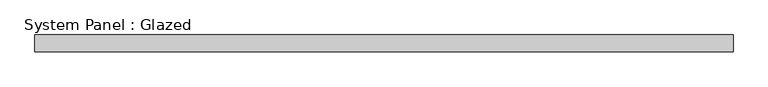
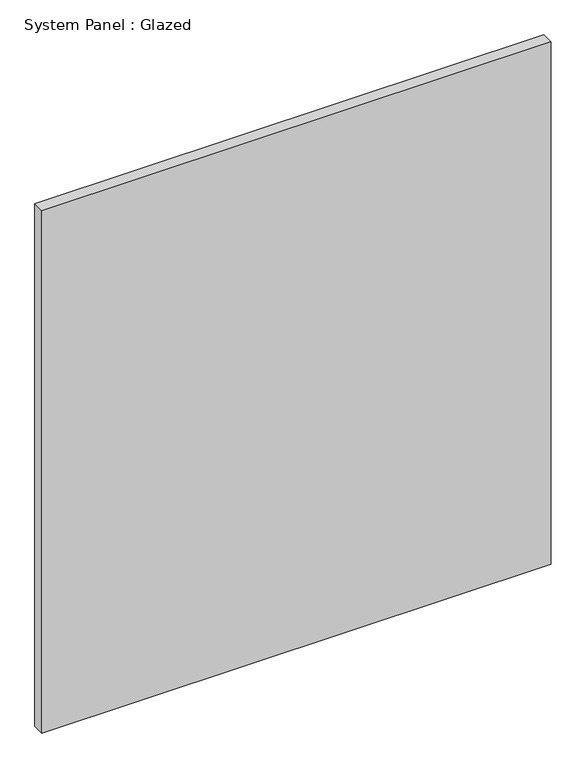
"""IFC4 building model written with IfcOpenShell, lengths in millimetres: plate geometry, System Panel : Glazed."""

import ifcopenshell
import ifcopenshell.guid

model = None  # the IFC model being written
_history = None  # IfcOwnerHistory: only IFC2X3 demands one
_inside = {}  # id of a spatial element -> (the spatial element, [elements in it])
_under = {}  # id of a project, library or spatial element -> (it, [spatial elements below it])
_declared = {}  # id of a project -> (the project, [libraries it declares])
_typed = {}  # id of a type object -> (the type object, [elements of that type])
_made_of = {}  # id of a material, layer set ... -> (it, [elements and type objects made of it])


def new_model(schema):
    """Start an empty IFC model of exactly this schema.

    Asked for "IFC4X3", IfcOpenShell would pick the latest addendum, in which some entities
    have other attributes; the version numbers below select the first issue.
    IFC2X3 requires an IfcOwnerHistory on every rooted entity: one is made here for all.
    """
    global model, _history
    if schema == "IFC4X3":
        model = ifcopenshell.file(schema_version=(4, 3, 0, 0))
    else:
        model = ifcopenshell.file(schema=schema)
    _inside.clear()
    _under.clear()
    _declared.clear()
    _typed.clear()
    _made_of.clear()
    _history = None
    if model.schema == "IFC2X3":
        org = make("IfcOrganization", Name="unknown")
        user = make(
            "IfcPersonAndOrganization",
            ThePerson=make("IfcPerson", FamilyName="unknown"),
            TheOrganization=org,
        )
        app = make(
            "IfcApplication",
            ApplicationDeveloper=org,
            Version="unknown",
            ApplicationFullName="unknown",
            ApplicationIdentifier="unknown",
        )
        _history = make(
            "IfcOwnerHistory",
            OwningUser=user,
            OwningApplication=app,
            ChangeAction="ADDED",
            CreationDate=0,
        )
    return model


def make(cls, **values):
    """One entity of the class cls with the attributes given. An attribute that is None is left unset."""
    return model.create_entity(
        cls, **{name: value for name, value in values.items() if value is not None}
    )


def rooted(cls, **values):
    """An entity with a GlobalId (a new one), such as an element, a storey or a relation."""
    return make(cls, GlobalId=ifcopenshell.guid.new(), OwnerHistory=_history, **values)


def si_unit(unit_type, name, prefix=None):
    """IfcSIUnit, for example si_unit("LENGTHUNIT", "METRE", prefix="MILLI")."""
    return make("IfcSIUnit", UnitType=unit_type, Prefix=prefix, Name=name)


def assignment(units):
    """IfcUnitAssignment: the units of a project."""
    return None if units is None else make("IfcUnitAssignment", Units=units)


def point(xyz):
    """IfcCartesianPoint."""
    return None if xyz is None else make("IfcCartesianPoint", Coordinates=xyz)


def direction(xyz):
    """IfcDirection."""
    return None if xyz is None else make("IfcDirection", DirectionRatios=xyz)


def frame(location, z_axis=None, x_axis=None):
    """IfcAxis2Placement3D, a coordinate frame: its origin and axes. An axis left out is left unset."""
    return make(
        "IfcAxis2Placement3D",
        Location=point(location),
        Axis=direction(z_axis),
        RefDirection=direction(x_axis),
    )


def origin():
    """The frame at (0, 0, 0) with its axes left unset."""
    return frame((0.0, 0.0, 0.0))


def origin_with_axes():
    """The frame at (0, 0, 0) with the z axis (0, 0, 1) and the x axis (1, 0, 0) written out."""
    return frame((0.0, 0.0, 0.0), z_axis=(0.0, 0.0, 1.0), x_axis=(1.0, 0.0, 0.0))


def place(relative_to, where):
    """IfcLocalPlacement: puts the frame where relative to a parent placement (None: the world)."""
    return make(
        "IfcLocalPlacement", PlacementRelTo=relative_to, RelativePlacement=where
    )


def context(
    kind, dimensions, precision=None, world=None, true_north=None, identifier=None
):
    """IfcGeometricRepresentationContext, for example the 3D "Model" context."""
    return make(
        "IfcGeometricRepresentationContext",
        ContextIdentifier=identifier,
        ContextType=kind,
        CoordinateSpaceDimension=dimensions,
        Precision=precision,
        WorldCoordinateSystem=world,
        TrueNorth=true_north,
    )


def project(units=None, contexts=None):
    """IfcProject with its units and contexts."""
    return rooted(
        "IfcProject",
        Name="project",
        RepresentationContexts=contexts,
        UnitsInContext=assignment(units),
    )


def spatial(cls, under=None, at=None, **own):
    """A site, building, storey or space (cls), placed at a placement, below another one or the project."""
    s = rooted(cls, ObjectPlacement=at, **own)
    if under is not None:
        _under.setdefault(under.id(), (under, []))[1].append(s)
    return s


def polyline(points):
    """IfcPolyline through the points."""
    return make("IfcPolyline", Points=[point(p) for p in points])


def outline(outer, holes=None, kind="AREA"):
    """IfcArbitraryClosedProfileDef: a profile drawn as a closed curve; with holes, ...WithVoids."""
    if holes is None:
        return make("IfcArbitraryClosedProfileDef", ProfileType=kind, OuterCurve=outer)
    return make(
        "IfcArbitraryProfileDefWithVoids",
        ProfileType=kind,
        OuterCurve=outer,
        InnerCurves=holes,
    )


def extrude(swept, where, along, depth):
    """IfcExtrudedAreaSolid: the profile swept, set in the frame where, extruded along a direction by depth."""
    return make(
        "IfcExtrudedAreaSolid",
        SweptArea=swept,
        Position=where,
        ExtrudedDirection=direction(along),
        Depth=depth,
    )


def shape(context_of_items, identifier, shape_type, items):
    """IfcShapeRepresentation: the items that make up one representation, for example the "Body"."""
    return make(
        "IfcShapeRepresentation",
        ContextOfItems=context_of_items,
        RepresentationIdentifier=identifier,
        RepresentationType=shape_type,
        Items=items,
    )


def source(mapping_origin, context_of_items, identifier, shape_type, items):
    """IfcRepresentationMap: a shape defined once, which mapped items show again and again."""
    return make(
        "IfcRepresentationMap",
        MappingOrigin=mapping_origin,
        MappedRepresentation=shape(context_of_items, identifier, shape_type, items),
    )


def transform(
    local_origin,
    x_axis=None,
    y_axis=None,
    z_axis=None,
    scale=None,
    scale2=None,
    scale3=None,
    uniform=True,
):
    """IfcCartesianTransformationOperator3D, or its non-uniform kind. x_axis, y_axis, z_axis: its Axis1, 2, 3."""
    if uniform:
        return make(
            "IfcCartesianTransformationOperator3D",
            Axis1=direction(x_axis),
            Axis2=direction(y_axis),
            LocalOrigin=point(local_origin),
            Scale=scale,
            Axis3=direction(z_axis),
        )
    return make(
        "IfcCartesianTransformationOperator3DnonUniform",
        Axis1=direction(x_axis),
        Axis2=direction(y_axis),
        LocalOrigin=point(local_origin),
        Scale=scale,
        Axis3=direction(z_axis),
        Scale2=scale2,
        Scale3=scale3,
    )


def mapped(mapping_source, mapping_target):
    """IfcMappedItem: shows the shape of a source again, moved by a transform."""
    return make(
        "IfcMappedItem", MappingSource=mapping_source, MappingTarget=mapping_target
    )


def made_of(thing, what):
    """Note that an element or type object is made of a material, layer set ...; save() writes the relation."""
    if what is not None:
        _made_of.setdefault(what.id(), (what, []))[1].append(thing)
    return thing


def element(
    cls,
    number,
    at=None,
    inside=None,
    cuts=None,
    type_object=None,
    material=None,
    context=None,
    identifier="Body",
    shape_type=None,
    held_by="IfcProductDefinitionShape",
    body=None,
    shapes=None,
    **own,
):
    """One element of the class cls, such as IfcWall. Its Tag is "e" and its number.

    at: its placement. inside: the storey or other place that contains it. cuts: it is an
    opening in that element (IfcRelVoidsElement). A single representation is given by context,
    identifier, shape_type and body (its items); several are given by shapes. held_by: the class
    of the entity that holds the representations. save() writes the other relations.
    """
    e = rooted(cls, Tag="e%d" % number, ObjectPlacement=at, **own)
    if body is not None:
        shapes = [shape(context, identifier, shape_type, body)]
    if shapes is not None:
        e.Representation = make(held_by, Representations=shapes)
    if inside is not None:
        _inside.setdefault(inside.id(), (inside, []))[1].append(e)
    if cuts is not None:
        rooted(
            "IfcRelVoidsElement", RelatingBuildingElement=cuts, RelatedOpeningElement=e
        )
    if type_object is not None:
        _typed.setdefault(type_object.id(), (type_object, []))[1].append(e)
    return made_of(e, material)


def aggregate(whole, parts):
    """IfcRelAggregates: a whole, such as a stair, and the parts it consists of."""
    return rooted("IfcRelAggregates", RelatingObject=whole, RelatedObjects=parts)


def save(model, path):
    """Write the relations noted so far, then the file.

    IfcRelAggregates (storeys below a building ...), IfcRelContainedInSpatialStructure (elements
    in a storey), IfcRelDefinesByType, IfcRelAssociatesMaterial and IfcRelDeclares: one each for
    every whole, place, type object, material and project.
    """
    for whole, parts in _under.values():
        aggregate(whole, parts)
    for where, things in _inside.values():
        rooted(
            "IfcRelContainedInSpatialStructure",
            RelatedElements=things,
            RelatingStructure=where,
        )
    for kind, things in _typed.values():
        rooted("IfcRelDefinesByType", RelatedObjects=things, RelatingType=kind)
    for what, things in _made_of.values():
        rooted("IfcRelAssociatesMaterial", RelatedObjects=things, RelatingMaterial=what)
    for by, libraries in _declared.values():
        rooted("IfcRelDeclares", RelatingContext=by, RelatedDefinitions=libraries)
    model.write(path)


def system_panel_glazed_6e31f252(model_context):
    return source(origin(), model_context, "Body", "SweptSolid", [
        extrude(outline(polyline([(527.05, -12.7), (-527.05, -12.7), (-527.05, 12.7), (527.05, 12.7), (527.05, -12.7)])), origin_with_axes(), (0.0, 0.0, 1.0), 1143.0),
    ])


if __name__ == "__main__":
    model = new_model("IFC4")
    model_context = context("Model", 3, world=origin())
    ifc_project = project(units=[si_unit("LENGTHUNIT", "METRE", prefix="MILLI")], contexts=[model_context])
    site = spatial("IfcSite", under=ifc_project)
    building = spatial("IfcBuilding", under=site)
    placement = place(None, origin())
    system_panel_glazed_shape = system_panel_glazed_6e31f252(model_context)
    element("IfcPlate", 1, ObjectType="System Panel : Glazed", at=placement, inside=building, context=model_context, shape_type="MappedRepresentation", body=[
        mapped(system_panel_glazed_shape, transform((0.0, 0.0, 0.0), x_axis=(1.0, 0.0, 0.0), y_axis=(0.0, 1.0, 0.0), z_axis=(0.0, 0.0, 1.0))),
    ])
    save(model, "model.ifc")
